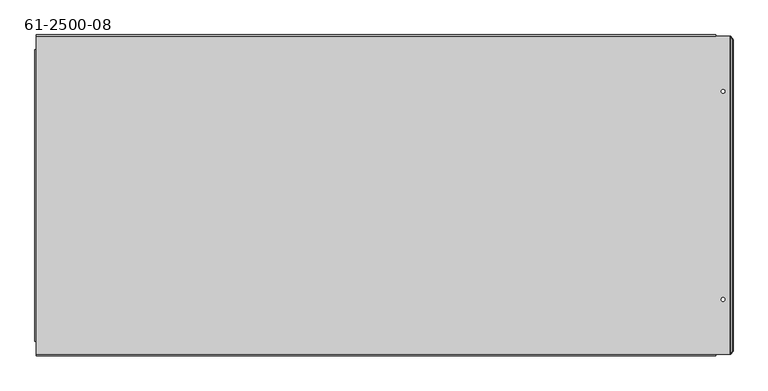
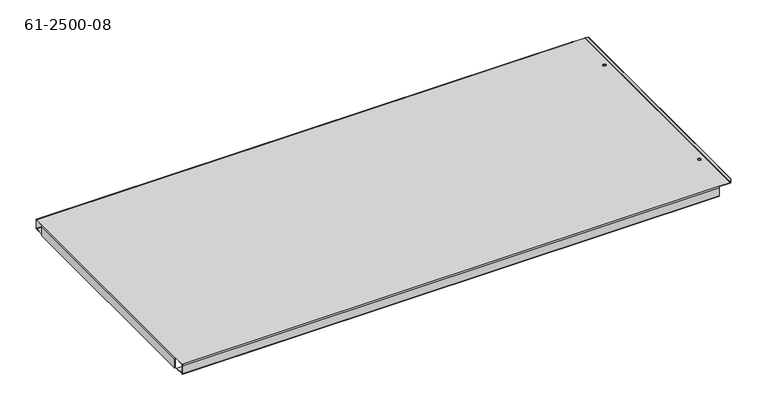
"""IFC4 building model written with IfcOpenShell, lengths in millimetres: proxy geometry, 61-2500-08."""

import ifcopenshell
import ifcopenshell.guid

model = None  # the IFC model being written
_history = None  # IfcOwnerHistory: only IFC2X3 demands one
_inside = {}  # id of a spatial element -> (the spatial element, [elements in it])
_under = {}  # id of a project, library or spatial element -> (it, [spatial elements below it])
_declared = {}  # id of a project -> (the project, [libraries it declares])
_typed = {}  # id of a type object -> (the type object, [elements of that type])
_made_of = {}  # id of a material, layer set ... -> (it, [elements and type objects made of it])


def new_model(schema):
    """Start an empty IFC model of exactly this schema.

    Asked for "IFC4X3", IfcOpenShell would pick the latest addendum, in which some entities
    have other attributes; the version numbers below select the first issue.
    IFC2X3 requires an IfcOwnerHistory on every rooted entity: one is made here for all.
    """
    global model, _history
    if schema == "IFC4X3":
        model = ifcopenshell.file(schema_version=(4, 3, 0, 0))
    else:
        model = ifcopenshell.file(schema=schema)
    _inside.clear()
    _under.clear()
    _declared.clear()
    _typed.clear()
    _made_of.clear()
    _history = None
    if model.schema == "IFC2X3":
        org = make("IfcOrganization", Name="unknown")
        user = make(
            "IfcPersonAndOrganization",
            ThePerson=make("IfcPerson", FamilyName="unknown"),
            TheOrganization=org,
        )
        app = make(
            "IfcApplication",
            ApplicationDeveloper=org,
            Version="unknown",
            ApplicationFullName="unknown",
            ApplicationIdentifier="unknown",
        )
        _history = make(
            "IfcOwnerHistory",
            OwningUser=user,
            OwningApplication=app,
            ChangeAction="ADDED",
            CreationDate=0,
        )
    return model


def make(cls, **values):
    """One entity of the class cls with the attributes given. An attribute that is None is left unset."""
    return model.create_entity(
        cls, **{name: value for name, value in values.items() if value is not None}
    )


def rooted(cls, **values):
    """An entity with a GlobalId (a new one), such as an element, a storey or a relation."""
    return make(cls, GlobalId=ifcopenshell.guid.new(), OwnerHistory=_history, **values)


def si_unit(unit_type, name, prefix=None):
    """IfcSIUnit, for example si_unit("LENGTHUNIT", "METRE", prefix="MILLI")."""
    return make("IfcSIUnit", UnitType=unit_type, Prefix=prefix, Name=name)


def assignment(units):
    """IfcUnitAssignment: the units of a project."""
    return None if units is None else make("IfcUnitAssignment", Units=units)


def point(xyz):
    """IfcCartesianPoint."""
    return None if xyz is None else make("IfcCartesianPoint", Coordinates=xyz)


def direction(xyz):
    """IfcDirection."""
    return None if xyz is None else make("IfcDirection", DirectionRatios=xyz)


def frame(location, z_axis=None, x_axis=None):
    """IfcAxis2Placement3D, a coordinate frame: its origin and axes. An axis left out is left unset."""
    return make(
        "IfcAxis2Placement3D",
        Location=point(location),
        Axis=direction(z_axis),
        RefDirection=direction(x_axis),
    )


def origin():
    """The frame at (0, 0, 0) with its axes left unset."""
    return frame((0.0, 0.0, 0.0))


def place(relative_to, where):
    """IfcLocalPlacement: puts the frame where relative to a parent placement (None: the world)."""
    return make(
        "IfcLocalPlacement", PlacementRelTo=relative_to, RelativePlacement=where
    )


def context(
    kind, dimensions, precision=None, world=None, true_north=None, identifier=None
):
    """IfcGeometricRepresentationContext, for example the 3D "Model" context."""
    return make(
        "IfcGeometricRepresentationContext",
        ContextIdentifier=identifier,
        ContextType=kind,
        CoordinateSpaceDimension=dimensions,
        Precision=precision,
        WorldCoordinateSystem=world,
        TrueNorth=true_north,
    )


def project(units=None, contexts=None):
    """IfcProject with its units and contexts."""
    return rooted(
        "IfcProject",
        Name="project",
        RepresentationContexts=contexts,
        UnitsInContext=assignment(units),
    )


def spatial(cls, under=None, at=None, **own):
    """A site, building, storey or space (cls), placed at a placement, below another one or the project."""
    s = rooted(cls, ObjectPlacement=at, **own)
    if under is not None:
        _under.setdefault(under.id(), (under, []))[1].append(s)
    return s


def polyline(points):
    """IfcPolyline through the points."""
    return make("IfcPolyline", Points=[point(p) for p in points])


def circle_curve(where, radius):
    """IfcCircle in the frame where."""
    return make("IfcCircle", Position=where, Radius=radius)


def shape(context_of_items, identifier, shape_type, items):
    """IfcShapeRepresentation: the items that make up one representation, for example the "Body"."""
    return make(
        "IfcShapeRepresentation",
        ContextOfItems=context_of_items,
        RepresentationIdentifier=identifier,
        RepresentationType=shape_type,
        Items=items,
    )


def source(mapping_origin, context_of_items, identifier, shape_type, items):
    """IfcRepresentationMap: a shape defined once, which mapped items show again and again."""
    return make(
        "IfcRepresentationMap",
        MappingOrigin=mapping_origin,
        MappedRepresentation=shape(context_of_items, identifier, shape_type, items),
    )


def transform(
    local_origin,
    x_axis=None,
    y_axis=None,
    z_axis=None,
    scale=None,
    scale2=None,
    scale3=None,
    uniform=True,
):
    """IfcCartesianTransformationOperator3D, or its non-uniform kind. x_axis, y_axis, z_axis: its Axis1, 2, 3."""
    if uniform:
        return make(
            "IfcCartesianTransformationOperator3D",
            Axis1=direction(x_axis),
            Axis2=direction(y_axis),
            LocalOrigin=point(local_origin),
            Scale=scale,
            Axis3=direction(z_axis),
        )
    return make(
        "IfcCartesianTransformationOperator3DnonUniform",
        Axis1=direction(x_axis),
        Axis2=direction(y_axis),
        LocalOrigin=point(local_origin),
        Scale=scale,
        Axis3=direction(z_axis),
        Scale2=scale2,
        Scale3=scale3,
    )


def mapped(mapping_source, mapping_target):
    """IfcMappedItem: shows the shape of a source again, moved by a transform."""
    return make(
        "IfcMappedItem", MappingSource=mapping_source, MappingTarget=mapping_target
    )


def made_of(thing, what):
    """Note that an element or type object is made of a material, layer set ...; save() writes the relation."""
    if what is not None:
        _made_of.setdefault(what.id(), (what, []))[1].append(thing)
    return thing


def element(
    cls,
    number,
    at=None,
    inside=None,
    cuts=None,
    type_object=None,
    material=None,
    context=None,
    identifier="Body",
    shape_type=None,
    held_by="IfcProductDefinitionShape",
    body=None,
    shapes=None,
    **own,
):
    """One element of the class cls, such as IfcWall. Its Tag is "e" and its number.

    at: its placement. inside: the storey or other place that contains it. cuts: it is an
    opening in that element (IfcRelVoidsElement). A single representation is given by context,
    identifier, shape_type and body (its items); several are given by shapes. held_by: the class
    of the entity that holds the representations. save() writes the other relations.
    """
    e = rooted(cls, Tag="e%d" % number, ObjectPlacement=at, **own)
    if body is not None:
        shapes = [shape(context, identifier, shape_type, body)]
    if shapes is not None:
        e.Representation = make(held_by, Representations=shapes)
    if inside is not None:
        _inside.setdefault(inside.id(), (inside, []))[1].append(e)
    if cuts is not None:
        rooted(
            "IfcRelVoidsElement", RelatingBuildingElement=cuts, RelatedOpeningElement=e
        )
    if type_object is not None:
        _typed.setdefault(type_object.id(), (type_object, []))[1].append(e)
    return made_of(e, material)


def aggregate(whole, parts):
    """IfcRelAggregates: a whole, such as a stair, and the parts it consists of."""
    return rooted("IfcRelAggregates", RelatingObject=whole, RelatedObjects=parts)


def save(model, path):
    """Write the relations noted so far, then the file.

    IfcRelAggregates (storeys below a building ...), IfcRelContainedInSpatialStructure (elements
    in a storey), IfcRelDefinesByType, IfcRelAssociatesMaterial and IfcRelDeclares: one each for
    every whole, place, type object, material and project.
    """
    for whole, parts in _under.values():
        aggregate(whole, parts)
    for where, things in _inside.values():
        rooted(
            "IfcRelContainedInSpatialStructure",
            RelatedElements=things,
            RelatingStructure=where,
        )
    for kind, things in _typed.values():
        rooted("IfcRelDefinesByType", RelatedObjects=things, RelatingType=kind)
    for what, things in _made_of.values():
        rooted("IfcRelAssociatesMaterial", RelatedObjects=things, RelatingMaterial=what)
    for by, libraries in _declared.values():
        rooted("IfcRelDeclares", RelatingContext=by, RelatedDefinitions=libraries)
    model.write(path)


def plane_surface(at):
    """IfcPlane: the flat surface through the origin of the frame at, square to its z axis."""
    return make("IfcPlane", Position=at)


def cylinder_surface(at, radius):
    """IfcCylindricalSurface: all points at the distance radius from the z axis of the frame at."""
    return make("IfcCylindricalSurface", Position=at, Radius=radius)


def revolved_surface(curve, axis_point, axis_direction):
    """IfcSurfaceOfRevolution: the curve turned about the line through axis_point along axis_direction."""
    return make(
        "IfcSurfaceOfRevolution",
        SweptCurve=make("IfcArbitraryOpenProfileDef", ProfileType="CURVE", Curve=curve),
        AxisPosition=make("IfcAxis1Placement", Location=point(axis_point), Axis=direction(axis_direction)),
    )


def advanced_brep(points, edges, surfaces, faces):
    """IfcAdvancedBrep: a solid bounded by faces that lie on surfaces and meet in shared edges.

    An edge is (start, end): straight between two places in points (the first is 0);
    or (start, end, curve); or (start, end, curve, False) where it runs against its curve.
    A face is (place in surfaces, loops), or (place, loops, False) where it looks against
    its surface's normal. A loop lists edges by number (the first is 1), with a minus sign
    where the edge is run from its end to its start. The first loop is the outer one.
    """
    corners = [point(p) for p in points]
    vertices = [make("IfcVertexPoint", VertexGeometry=c) for c in corners]
    made = []
    for start, end, *more in edges:
        made.append(
            make(
                "IfcEdgeCurve",
                EdgeStart=vertices[start],
                EdgeEnd=vertices[end],
                EdgeGeometry=more[0] if more else make("IfcPolyline", Points=[corners[start], corners[end]]),
                SameSense=more[1] if len(more) > 1 else True,
            )
        )
    hull = []
    for where, loops, *sense in faces:
        bounds = []
        for j, loop in enumerate(loops):
            ring = [make("IfcOrientedEdge", EdgeElement=made[abs(k) - 1], Orientation=k > 0) for k in loop]
            bounds.append(
                make(
                    "IfcFaceOuterBound" if j == 0 else "IfcFaceBound",
                    Bound=make("IfcEdgeLoop", EdgeList=ring),
                    Orientation=True,
                )
            )
        hull.append(make("IfcAdvancedFace", Bounds=bounds, FaceSurface=surfaces[where], SameSense=sense[0] if sense else True))
    return make("IfcAdvancedBrep", Outer=make("IfcClosedShell", CfsFaces=hull))


def proxy_61_2500_08_e702d6f0(model_context):
    return source(origin(), model_context, "Body", "AdvancedBrep", [
        advanced_brep(
        [(1127.426239, 90.8292636, 0.0), (1127.426239, 90.8292636, 1.00584), (1121.076239, 90.8292636, 1.00584), (1121.076239, 90.8292636, 0.0), (1127.426239, 446.4292636, 0.0), (1127.426239, 446.4292636, 1.00584), (1121.076239, 446.4292636, 1.00584), (1121.076239, 446.4292636, 0.0), (-47.984161, 543.0953136, -1.00584), (-47.984161, 541.0836336, 1.00584), (1111.551239, 541.0836336, 1.00584), (1111.551239, 543.0953136, -1.00584), (-47.984161, 541.0836336, 0.0), (-47.984161, 542.0894736, -1.00584), (1111.551239, 542.0894736, -1.00584), (1111.551239, 541.0836336, 0.0), (-47.984161, 542.0894736, -19.20748), (1111.551239, 542.0894736, -19.20748), (-47.984161, -3.8251064, 1.00584), (-47.984161, -5.8367864, -1.00584), (1111.551239, -5.8367864, -1.00584), (1111.551239, -3.8251064, 1.00584), (-47.984161, 518.0191636, 1.00584), (-48.487081, 518.0191636, 1.00584), (-48.487081, 19.2393636, 1.00584), (-47.984161, 19.2393636, 1.00584), (1111.551239, -3.3221864, 1.00584), (1136.1179738, -3.3221864, 1.00584), (1136.1179738, 540.5807136, 1.00584), (1111.551239, 540.5807136, 1.00584), (-47.984161, -5.8367864, -19.20748), (1111.551239, -5.8367864, -19.20748), (-47.984161, -3.8251064, -21.21916), (1111.551239, -3.8251064, -21.21916), (-47.984161, 518.0191636, 0.0), (1111.551239, 540.5807136, 0.0), (1136.1179738, 540.5807136, 0.0), (1136.1179738, -3.3221864, 0.0), (1111.551239, -3.3221864, 0.0), (1111.551239, -3.8251064, 0.0), (-47.984161, -3.8251064, 0.0), (-47.984161, 19.2393636, 0.0), (-48.487081, 19.2393636, 0.0), (-48.487081, 518.0191636, 0.0), (-47.984161, 15.7532136, -21.21916), (1111.551239, 15.7532136, -21.21916), (-47.984161, 15.7532136, -20.21332), (1111.551239, 15.7532136, -20.21332), (-47.984161, -3.8251064, -20.21332), (1111.551239, -3.8251064, -20.21332), (1141.441367, 535.0639788, 4.4901281), (1137.5404464, 540.5807136, 0.5892074), (1136.8292101, 540.5807136, 1.3004437), (1140.7301308, 535.0639788, 5.2013643), (1137.5404464, -3.3221864, 0.5892074), (1141.441367, 2.1945485, 4.4901281), (1140.7301308, 2.1945485, 5.2013643), (1136.8292101, -3.3221864, 1.3004437), (-47.984161, 541.0836336, -21.21916), (-47.984161, 543.0953136, -19.20748), (1111.551239, 543.0953136, -19.20748), (1111.551239, 541.0836336, -21.21916), (-47.984161, 541.0836336, -20.21332), (1111.551239, 541.0836336, -20.21332), (-47.984161, -4.8309464, -19.20748), (1111.551239, -4.8309464, -19.20748), (-47.984161, -4.8309464, -1.00584), (1111.551239, -4.8309464, -1.00584), (-50.498761, 518.0191636, -1.00584), (-50.498761, 19.2393636, -1.00584), (-49.492921, 19.2393636, -1.00584), (-49.492921, 518.0191636, -1.00584), (-50.498761, 518.0191636, -21.21916), (-50.498761, 19.2393636, -21.21916), (-49.492921, 518.0191636, -21.21916), (-49.492921, 19.2393636, -21.21916), (-47.984161, 521.5053136, -21.21916), (-47.984161, 521.5053136, -20.21332), (1111.551239, 521.5053136, -21.21916), (1111.551239, 521.5053136, -20.21332)],
        [
            (0, 1),
            (1, 2, circle_curve(frame((1124.251239, 90.8292636, 1.00584), z_axis=(0.0, 0.0, 1.0), x_axis=(1.0, 0.0, 0.0)), 3.175)),
            (2, 3),
            (3, 0, circle_curve(frame((1124.251239, 90.8292636, 0.0), z_axis=(0.0, 0.0, -1.0), x_axis=(1.0, 0.0, 0.0)), 3.175)),
            (4, 5),
            (5, 6, circle_curve(frame((1124.251239, 446.4292636, 1.00584), z_axis=(0.0, 0.0, 1.0), x_axis=(1.0, 0.0, 0.0)), 3.175)),
            (6, 7),
            (7, 4, circle_curve(frame((1124.251239, 446.4292636, 0.0), z_axis=(0.0, 0.0, -1.0), x_axis=(1.0, 0.0, 0.0)), 3.175)),
            (8, 9, circle_curve(frame((-47.984161, 541.0836336, -1.00584), z_axis=(1.0, 0.0, 0.0), x_axis=(0.0, 0.0, 1.0)), 2.01168)),
            (9, 10),
            (10, 11, circle_curve(frame((1111.551239, 541.0836336, -1.00584), z_axis=(-1.0, 0.0, 0.0), x_axis=(0.0, 0.0, 1.0)), 2.01168)),
            (11, 8),
            (12, 13, circle_curve(frame((-47.984161, 541.0836336, -1.00584), z_axis=(-1.0, 0.0, 0.0), x_axis=(0.0, 0.0, 1.0)), 1.00584)),
            (13, 14),
            (14, 15, circle_curve(frame((1111.551239, 541.0836336, -1.00584), z_axis=(1.0, 0.0, 0.0), x_axis=(0.0, 0.0, 1.0)), 1.00584)),
            (15, 12),
            (13, 16),
            (16, 17),
            (17, 14),
            (18, 19, circle_curve(frame((-47.984161, -3.8251064, -1.00584), z_axis=(1.0, 0.0, 0.0), x_axis=(0.0, 0.0, 1.0)), 2.01168)),
            (19, 20),
            (20, 21, circle_curve(frame((1111.551239, -3.8251064, -1.00584), z_axis=(-1.0, 0.0, 0.0), x_axis=(0.0, 0.0, 1.0)), 2.01168)),
            (21, 18),
            (9, 22),
            (22, 23),
            (23, 24),
            (24, 25),
            (25, 18),
            (21, 26),
            (26, 27),
            (27, 28),
            (28, 29),
            (29, 10),
            (1, 2, circle_curve(frame((1124.251239, 90.8292636, 1.00584), z_axis=(0.0, 0.0, -1.0), x_axis=(1.0, 0.0, 0.0)), 3.175)),
            (5, 6, circle_curve(frame((1124.251239, 446.4292636, 1.00584), z_axis=(0.0, 0.0, -1.0), x_axis=(1.0, 0.0, 0.0)), 3.175)),
            (19, 30),
            (30, 31),
            (31, 20),
            (30, 32, circle_curve(frame((-47.984161, -3.8251064, -19.20748), z_axis=(1.0, 0.0, 0.0), x_axis=(0.0, -1.0, 0.0)), 2.01168)),
            (32, 33),
            (33, 31, circle_curve(frame((1111.551239, -3.8251064, -19.20748), z_axis=(-1.0, 0.0, 0.0), x_axis=(0.0, -1.0, 0.0)), 2.01168)),
            (34, 12),
            (15, 35),
            (35, 36),
            (36, 37),
            (37, 38),
            (38, 39),
            (39, 40),
            (40, 41),
            (41, 42),
            (42, 43),
            (43, 34),
            (3, 0, circle_curve(frame((1124.251239, 90.8292636, 0.0), z_axis=(0.0, 0.0, 1.0), x_axis=(1.0, 0.0, 0.0)), 3.175)),
            (7, 4, circle_curve(frame((1124.251239, 446.4292636, 0.0), z_axis=(0.0, 0.0, 1.0), x_axis=(1.0, 0.0, 0.0)), 3.175)),
            (32, 44),
            (44, 45),
            (45, 33),
            (44, 46),
            (46, 47),
            (47, 45),
            (46, 48),
            (48, 49),
            (49, 47),
            (50, 51),
            (51, 52),
            (52, 53),
            (53, 50),
            (54, 55),
            (55, 56),
            (56, 57),
            (57, 54),
            (51, 36, circle_curve(frame((1136.1179738, 540.5807136, 2.01168), z_axis=(0.0, 1.0, 0.0), x_axis=(0.0, 0.0, -1.0)), 2.01168)),
            (35, 29),
            (28, 52, circle_curve(frame((1136.1179738, 540.5807136, 2.01168), z_axis=(0.0, -1.0, 0.0), x_axis=(0.0, 0.0, -1.0)), 1.00584)),
            (50, 55),
            (54, 51),
            (54, 37, circle_curve(frame((1136.1179738, -3.3221864, 2.01168), z_axis=(0.0, 1.0, 0.0), x_axis=(0.0, 0.0, -1.0)), 2.01168)),
            (57, 52),
            (27, 57, circle_curve(frame((1136.1179738, -3.3221864, 2.01168), z_axis=(0.0, -1.0, 0.0), x_axis=(0.0, 0.0, -1.0)), 1.00584)),
            (58, 59, circle_curve(frame((-47.984161, 541.0836336, -19.20748), z_axis=(1.0, 0.0, 0.0), x_axis=(0.0, 1.0, 0.0)), 2.01168)),
            (59, 60),
            (60, 61, circle_curve(frame((1111.551239, 541.0836336, -19.20748), z_axis=(-1.0, 0.0, 0.0), x_axis=(0.0, 1.0, 0.0)), 2.01168)),
            (61, 58),
            (16, 62, circle_curve(frame((-47.984161, 541.0836336, -19.20748), z_axis=(-1.0, 0.0, 0.0), x_axis=(0.0, 1.0, 0.0)), 1.00584)),
            (62, 63),
            (63, 17, circle_curve(frame((1111.551239, 541.0836336, -19.20748), z_axis=(1.0, 0.0, 0.0), x_axis=(0.0, 1.0, 0.0)), 1.00584)),
            (59, 8),
            (11, 60),
            (48, 64, circle_curve(frame((-47.984161, -3.8251064, -19.20748), z_axis=(-1.0, 0.0, 0.0), x_axis=(0.0, -1.0, 0.0)), 1.00584)),
            (64, 65),
            (65, 49, circle_curve(frame((1111.551239, -3.8251064, -19.20748), z_axis=(1.0, 0.0, 0.0), x_axis=(0.0, -1.0, 0.0)), 1.00584)),
            (64, 66),
            (66, 67),
            (67, 65),
            (66, 40, circle_curve(frame((-47.984161, -3.8251064, -1.00584), z_axis=(-1.0, 0.0, 0.0), x_axis=(0.0, 0.0, 1.0)), 1.00584)),
            (39, 67, circle_curve(frame((1111.551239, -3.8251064, -1.00584), z_axis=(1.0, 0.0, 0.0), x_axis=(0.0, 0.0, 1.0)), 1.00584)),
            (68, 69),
            (69, 24, circle_curve(frame((-48.487081, 19.2393636, -1.00584), z_axis=(0.0, 1.0, 0.0), x_axis=(0.0, 0.0, 1.0)), 2.01168)),
            (23, 68, circle_curve(frame((-48.487081, 518.0191636, -1.00584), z_axis=(0.0, -1.0, 0.0), x_axis=(0.0, 0.0, 1.0)), 2.01168)),
            (70, 71),
            (71, 43, circle_curve(frame((-48.487081, 518.0191636, -1.00584), z_axis=(0.0, 1.0, 0.0), x_axis=(0.0, 0.0, 1.0)), 1.00584)),
            (42, 70, circle_curve(frame((-48.487081, 19.2393636, -1.00584), z_axis=(0.0, -1.0, 0.0), x_axis=(0.0, 0.0, 1.0)), 1.00584)),
            (68, 72),
            (72, 73),
            (73, 69),
            (74, 75),
            (75, 73),
            (72, 74),
            (70, 75),
            (74, 71),
            (41, 25),
            (58, 76),
            (76, 77),
            (77, 62),
            (34, 22),
            (38, 26),
            (61, 78),
            (78, 76),
            (63, 79),
            (79, 78),
            (79, 77),
            (53, 56),
        ],
        [
            revolved_surface(polyline([(1127.426239, 90.8292636, 1.0058400000000347), (1127.426239, 90.8292636, 0.0)]), (1124.251239, 90.8292636, -1307.3740374), (0.0, 0.0, 1.0)),
            revolved_surface(polyline([(1127.426239, 446.4292636, 1.0058400000000347), (1127.426239, 446.4292636, 0.0)]), (1124.251239, 446.4292636, -1307.3740374), (0.0, 0.0, 1.0)),
            cylinder_surface(frame((531.262839, 541.0836336, -1.00584), z_axis=(-1.0, 0.0, 0.0), x_axis=(0.0, 0.0, 1.0)), 2.01168),
            revolved_surface(polyline([(-47.98416099999997, 541.0836336, 0.0), (1111.551239, 541.0836336, 0.0)]), (531.262839, 541.0836336, -1.00584), (-1.0, 0.0, 0.0)),
            plane_surface(frame((531.262839, 542.0894736, -10.10666), z_axis=(0.0, -1.0, 0.0), x_axis=(0.0, 0.0, 1.0))),
            cylinder_surface(frame((531.262839, -3.8251064, -1.00584), z_axis=(1.0, 0.0, 0.0), x_axis=(0.0, 0.0, 1.0)), 2.01168),
            plane_surface(frame((543.2282864, 268.6292636, 1.00584), z_axis=(0.0, 0.0, 1.0), x_axis=(1.0, 0.0, 0.0))),
            plane_surface(frame((531.262839, -5.8367864, -10.10666), z_axis=(0.0, -1.0, 0.0), x_axis=(0.0, 0.0, 1.0))),
            cylinder_surface(frame((531.262839, -3.8251064, -19.20748), z_axis=(1.0, 0.0, 0.0), x_axis=(0.0, -1.0, 0.0)), 2.01168),
            plane_surface(frame((543.2282864, 268.6292636, 0.0), z_axis=(0.0, 0.0, -1.0), x_axis=(1.0, 0.0, 0.0))),
            plane_surface(frame((531.262839, 4.9582136, -21.21916), z_axis=(0.0, 0.0, -1.0), x_axis=(1.0, 0.0, 0.0))),
            plane_surface(frame((-49.025561, 15.7532136, -21.21916), z_axis=(0.0, 1.0, 0.0), x_axis=(0.0, 0.0, 1.0))),
            plane_surface(frame((531.262839, 4.9582136, -20.21332), z_axis=(0.0, 0.0, 1.0), x_axis=(1.0, 0.0, 0.0))),
            plane_surface(frame((1136.8292101, 540.5807136, 1.3004437), z_axis=(0.49999999999997685, 0.707106781186557, 0.5000000000000099), x_axis=(-0.7071067811865709, 0.0, 0.7071067811865241))),
            plane_surface(frame((1140.7301308, 2.1945485, 5.2013643), z_axis=(0.49999999999999, -0.7071067811865384, 0.500000000000023), x_axis=(-0.7071067811865709, 0.0, 0.7071067811865243))),
            plane_surface(frame((1136.951239, 540.5807136, 0.0), z_axis=(0.0, 1.0, 0.0), x_axis=(0.0, 0.0, 1.0))),
            plane_surface(frame((1139.196303, 268.6292636, 2.245064), z_axis=(0.7071067811865464, 0.0, -0.7071067811865488), x_axis=(0.7071067811865488, 0.0, 0.7071067811865464))),
            cylinder_surface(frame((1136.1179738, 268.6292636, 2.01168), z_axis=(0.0, -1.0, 0.0), x_axis=(0.0, 0.0, -1.0)), 2.01168),
            revolved_surface(polyline([(1136.1179738, -3.322186400000021, 1.00584), (1136.1179738, 540.5807136, 1.00584)]), (1136.1179738, 268.6292636, 2.01168), (0.0, -1.0, 0.0)),
            cylinder_surface(frame((531.262839, 541.0836336, -19.20748), z_axis=(-1.0, 0.0, 0.0), x_axis=(0.0, 1.0, 0.0)), 2.01168),
            revolved_surface(polyline([(-47.98416099999997, 542.0894736, -19.20748), (1111.551239, 542.0894736, -19.20748)]), (531.262839, 541.0836336, -19.20748), (-1.0, 0.0, 0.0)),
            plane_surface(frame((531.262839, 543.0953136, -10.10666), z_axis=(0.0, 1.0, 0.0), x_axis=(0.0, 0.0, 1.0))),
            revolved_surface(polyline([(1111.551239, -4.8309464, -19.20748), (-47.98416099999997, -4.8309464, -19.20748)]), (531.262839, -3.8251064, -19.20748), (1.0, 0.0, 0.0)),
            plane_surface(frame((531.262839, -4.8309464, -10.10666), z_axis=(0.0, 1.0, 0.0), x_axis=(0.0, 0.0, 1.0))),
            revolved_surface(polyline([(1111.551239, -3.8251064, 0.0), (-47.98416099999997, -3.8251064, 0.0)]), (531.262839, -3.8251064, -1.00584), (1.0, 0.0, 0.0)),
            cylinder_surface(frame((-48.487081, 268.6292636, -1.00584), z_axis=(0.0, -1.0, 0.0), x_axis=(0.0, 0.0, 1.0)), 2.01168),
            revolved_surface(polyline([(-48.487081, 19.23936359999999, 0.0), (-48.487081, 518.0191636, 0.0)]), (-48.487081, 268.6292636, -1.00584), (0.0, -1.0, 0.0)),
            plane_surface(frame((-50.498761, 268.6292636, -10.10666), z_axis=(-1.0, 0.0, 0.0), x_axis=(0.0, 0.0, -1.0))),
            plane_surface(frame((-50.498761, 518.0191636, -21.21916), z_axis=(0.0, 0.0, -1.0), x_axis=(-1.0, 0.0, 0.0))),
            plane_surface(frame((-49.492921, 268.6292636, -10.10666), z_axis=(1.0, 0.0, 0.0), x_axis=(0.0, 0.0, -1.0))),
            plane_surface(frame((-49.025561, 19.2393636, 0.0), z_axis=(0.0, -1.0, 0.0), x_axis=(0.0, 0.0, 1.0))),
            plane_surface(frame((-47.984161, 19.2393636, 0.0), z_axis=(-1.0, 0.0, 0.0), x_axis=(0.0, 0.0, -1.0))),
            plane_surface(frame((-47.984161, 519.0250036, 0.0), z_axis=(-1.0, 0.0, 0.0), x_axis=(0.0, 0.0, -1.0))),
            plane_surface(frame((-47.984161, 518.0191636, 0.0), z_axis=(0.0, 1.0, 0.0), x_axis=(0.0, 0.0, -1.0))),
            plane_surface(frame((1111.551239, 15.7532136, -21.21916), z_axis=(1.0, 0.0, 0.0), x_axis=(0.0, 0.0, -1.0))),
            plane_surface(frame((531.262839, 532.3003136, -21.21916), z_axis=(0.0, 0.0, -1.0), x_axis=(1.0, 0.0, 0.0))),
            plane_surface(frame((1111.551239, 543.0953136, -21.21916), z_axis=(1.0, 0.0, 0.0), x_axis=(0.0, 0.0, -1.0))),
            plane_surface(frame((1111.551239, 521.5053136, -21.21916), z_axis=(0.0, -1.0, 0.0), x_axis=(0.0, 0.0, -1.0))),
            plane_surface(frame((531.262839, 532.3003136, -20.21332), z_axis=(0.0, 0.0, 1.0), x_axis=(1.0, 0.0, 0.0))),
            plane_surface(frame((1141.441367, -3.3221864, 4.4901281), z_axis=(0.0, -1.0, 0.0), x_axis=(0.0, 0.0, -1.0))),
            plane_surface(frame((1141.441367, 540.5807136, 4.4901281), z_axis=(0.7071067811865235, 0.0, 0.7071067811865717), x_axis=(0.7071067811865717, 0.0, -0.7071067811865235))),
            plane_surface(frame((1138.4850667, 268.6292636, 2.9563003), z_axis=(-0.7071067811865461, 0.0, 0.7071067811865489), x_axis=(0.7071067811865489, 0.0, 0.7071067811865461))),
        ],
        [
            (0, [[1, 2, 3, 4]]),
            (1, [[5, 6, 7, 8]]),
            (2, [[9, 10, 11, 12]]),
            (3, [[13, 14, 15, 16]]),
            (4, [[17, 18, 19, -14]]),
            (5, [[20, 21, 22, 23]]),
            (6, [[24, 25, 26, 27, 28, -23, 29, 30, 31, 32, 33, -10], [34, -2], [35, -6]]),
            (7, [[36, 37, 38, -21]]),
            (8, [[39, 40, 41, -37]]),
            (9, [[42, -16, 43, 44, 45, 46, 47, 48, 49, 50, 51, 52], [53, -4], [54, -8]]),
            (10, [[55, 56, 57, -40]]),
            (11, [[58, 59, 60, -56]]),
            (12, [[61, 62, 63, -59]]),
            (13, [[64, 65, 66, 67]]),
            (14, [[68, 69, 70, 71]]),
            (15, [[-65, 72, -44, 73, -32, 74]]),
            (16, [[-64, 75, -68, 76]]),
            (17, [[-76, 77, -45, -72]]),
            (18, [[78, -74, -31, 79]]),
            (1, [[-5, -54, -7, -35]]),
            (0, [[-1, -53, -3, -34]]),
            (19, [[80, 81, 82, 83]]),
            (20, [[84, 85, 86, -18]]),
            (21, [[87, -12, 88, -81]]),
            (22, [[89, 90, 91, -62]]),
            (23, [[92, 93, 94, -90]]),
            (24, [[95, -48, 96, -93]]),
            (25, [[97, 98, -26, 99]]),
            (26, [[100, 101, -51, 102]]),
            (27, [[-97, 103, 104, 105]]),
            (28, [[106, 107, -104, 108]]),
            (29, [[-100, 109, -106, 110]]),
            (30, [[-50, 111, -27, -98, -105, -107, -109, -102]]),
            (31, [[-28, -111, -49, -95, -92, -89, -61, -58, -55, -39, -36, -20]]),
            (32, [[-24, -9, -87, -80, 112, 113, 114, -84, -17, -13, -42, 115]]),
            (33, [[-25, -115, -52, -101, -110, -108, -103, -99]]),
            (34, [[-57, -60, -63, -91, -94, -96, -47, 116, -29, -22, -38, -41]]),
            (35, [[-112, -83, 117, 118]]),
            (36, [[119, 120, -117, -82, -88, -11, -33, -73, -43, -15, -19, -86]]),
            (37, [[-113, -118, -120, 121]]),
            (38, [[-114, -121, -119, -85]]),
            (39, [[-71, -79, -30, -116, -46, -77]]),
            (40, [[-67, 122, -69, -75]]),
            (41, [[-66, -78, -70, -122]]),
        ],
    ),
    ])


if __name__ == "__main__":
    model = new_model("IFC4")
    model_context = context("Model", 3, world=origin())
    ifc_project = project(units=[si_unit("LENGTHUNIT", "METRE", prefix="MILLI")], contexts=[model_context])
    site = spatial("IfcSite", under=ifc_project)
    building = spatial("IfcBuilding", under=site)
    placement = place(None, origin())
    proxy_61_2500_08_shape = proxy_61_2500_08_e702d6f0(model_context)
    element("IfcBuildingElementProxy", 1, Name="61-2500-08", ObjectType="61-2500-08", at=placement, inside=building, context=model_context, shape_type="MappedRepresentation", body=[
        mapped(proxy_61_2500_08_shape, transform((0.0, 0.0, 0.0), x_axis=(1.0, 0.0, 0.0), y_axis=(0.0, 1.0, 0.0), z_axis=(0.0, 0.0, 1.0))),
    ])
    save(model, "model.ifc")
